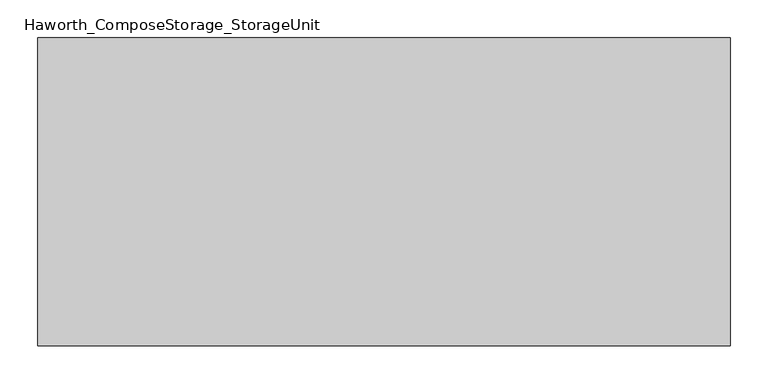
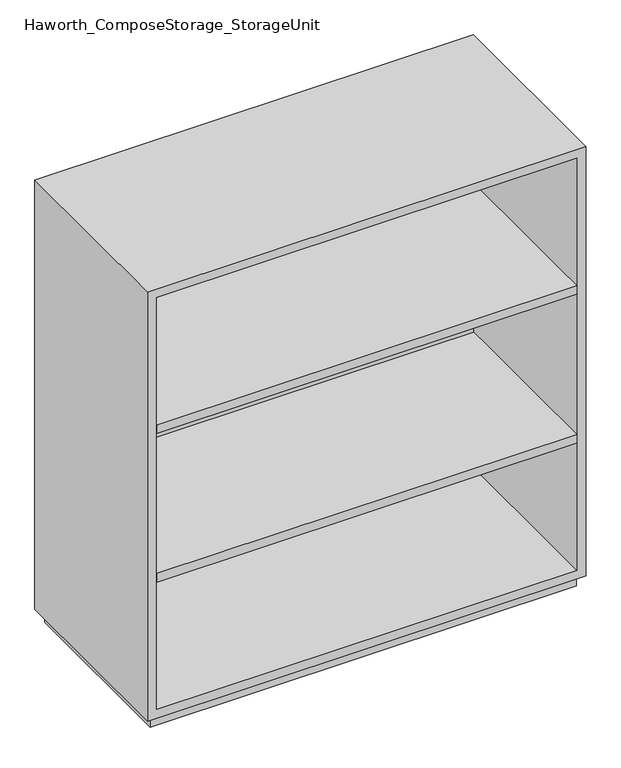
"""IFC4 building model written with IfcOpenShell, lengths in millimetres: furniture geometry, Haworth_ComposeStorage_StorageUnit."""

from ifc_helpers import new_model, si_unit, frame, origin, origin_with_axes, place, context, project, spatial, polyline, outline, extrude, source, transform, mapped, element, save


def haworth_composestorage_storageunit_eaccb003(model_context):
    return source(origin(), model_context, "Body", "SweptSolid", [
        extrude(outline(polyline([(438.1569453, 219.075), (438.1569453, -152.4), (-438.1291641, -152.4), (-438.1291641, 219.075), (438.1569453, 219.075)])), frame((0.0, 0.0, 652.9916667), z_axis=(0.0, 0.0, 1.0), x_axis=(1.0, 0.0, 0.0)), (0.0, 0.0, 1.0), 19.05),
        extrude(outline(polyline([(438.1569453, 219.075), (438.1569453, -152.4), (-438.1291641, -152.4), (-438.1291641, 219.075), (438.1569453, 219.075)])), frame((0.0, 0.0, 324.9083333), z_axis=(0.0, 0.0, 1.0), x_axis=(1.0, 0.0, 0.0)), (0.0, 0.0, 1.0), 19.05),
        extrude(outline(polyline([(25.4, -457.1861094), (25.4, 457.2138906), (971.55, 457.2138906), (971.55, -457.1861094), (25.4, -457.1861094)]), holes=[polyline([(44.45, -438.1361094), (952.5, -438.1361094), (952.5, 438.1569453), (44.45, 438.1569453), (44.45, -438.1361094)])]), frame((0.0, -152.4, 0.0), z_axis=(0.0, 1.0, 0.0), x_axis=(0.0, 0.0, 1.0)), (0.0, 0.0, 1.0), 406.4),
        extrude(outline(polyline([(-438.1291641, 219.075), (-438.1291641, 228.6), (438.1569453, 228.6), (438.1569453, 219.075), (-438.1291641, 219.075)])), frame((0.0, 0.0, 44.45), z_axis=(0.0, 0.0, 1.0), x_axis=(1.0, 0.0, 0.0)), (0.0, 0.0, 1.0), 908.05),
        extrude(outline(polyline([(444.5138906, -139.7), (-444.4861094, -139.7), (-444.4861094, 241.3), (444.5138906, 241.3), (444.5138906, -139.7)])), origin_with_axes(), (0.0, 0.0, 1.0), 25.4),
    ])


if __name__ == "__main__":
    model = new_model("IFC4")
    model_context = context("Model", 3, world=origin())
    ifc_project = project(units=[si_unit("LENGTHUNIT", "METRE", prefix="MILLI")], contexts=[model_context])
    site = spatial("IfcSite", under=ifc_project)
    building = spatial("IfcBuilding", under=site)
    placement = place(None, origin())
    haworth_composestorage_storageunit_shape = haworth_composestorage_storageunit_eaccb003(model_context)
    element("IfcFurniture", 1, ObjectType="Haworth_ComposeStorage_StorageUnit", at=placement, inside=building, context=model_context, shape_type="MappedRepresentation", body=[
        mapped(haworth_composestorage_storageunit_shape, transform((0.0, 0.0, 0.0), x_axis=(1.0, 0.0, 0.0), y_axis=(0.0, 1.0, 0.0), z_axis=(0.0, 0.0, 1.0))),
    ])
    save(model, "model.ifc")
